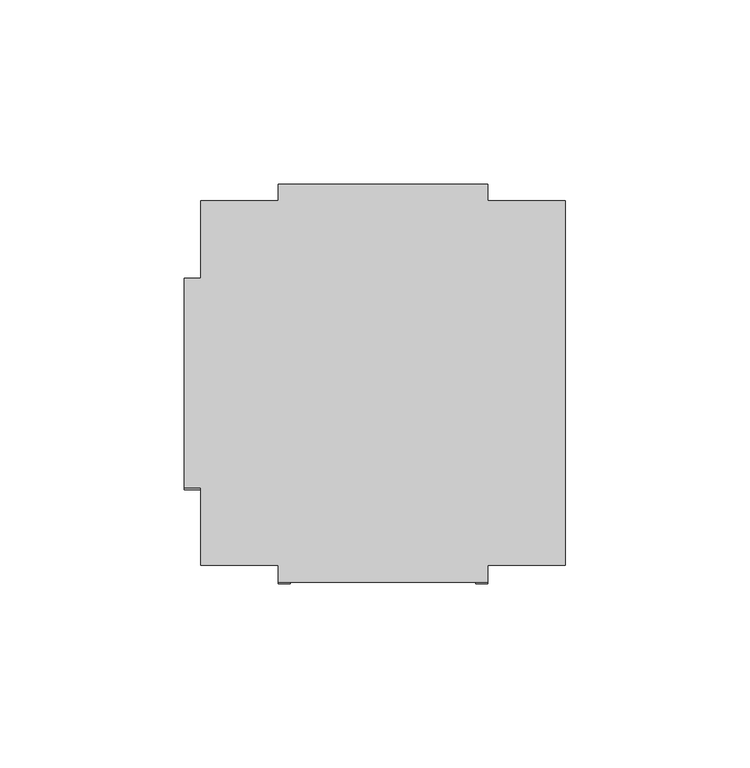
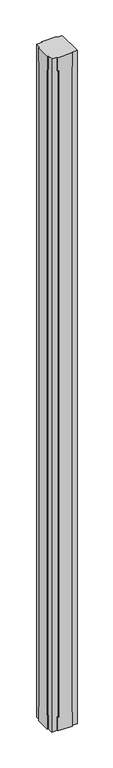
"""IFC4 building model written with IfcOpenShell, lengths in millimetres: furniture geometry."""

from ifc_helpers import new_model, si_unit, origin, place, context, project, spatial, faceted_brep, source, transform, mapped, element, save


def furniture_170179e1(model_context):
    return source(origin(), model_context, "Body", "Brep", [
        faceted_brep([(0.0, -736.854, 55.118), (0.0, -733.552, 55.118), (0.0, -733.552, 0.0), (0.0, -790.448, 0.0), (0.0, -790.448, 55.118), (0.0, -787.146, 55.118), (0.0, -787.146, 2688.082), (0.0, -790.448, 2688.082), (0.0, -790.448, 2743.2), (0.0, -733.552, 2743.2), (0.0, -733.552, 2688.082), (0.0, -736.854, 2688.082), (4.4958, -736.854, 2688.082), (4.4958, -736.854, 55.118), (4.4958, -733.552, 2688.082), (4.4958, -733.552, 2743.2), (4.4958, -790.448, 2743.2), (4.4958, -811.4792, 2743.2), (25.527, -811.4792, 2743.2), (25.527, -815.975, 2743.2), (82.423, -815.975, 2743.2), (82.423, -811.4792, 2743.2), (103.4542, -811.4792, 2743.2), (103.4542, -712.5208, 2743.2), (82.423, -712.5208, 2743.2), (82.423, -708.025, 2743.2), (25.527, -708.025, 2743.2), (25.527, -712.5208, 2743.2), (4.4958, -712.5208, 2743.2), (4.4958, -790.448, 2688.082), (4.4958, -787.146, 2688.082), (4.4958, -787.146, 55.118), (4.4958, -790.448, 55.118), (4.4958, -790.448, 0.0), (4.4958, -733.552, 0.0), (4.4958, -712.5208, 0.0), (25.527, -712.5208, 0.0), (25.527, -708.025, 0.0), (82.423, -708.025, 0.0), (82.423, -712.5208, 0.0), (103.4542, -712.5208, 0.0), (103.4542, -811.4792, 0.0), (82.423, -811.4792, 0.0), (82.423, -815.975, 0.0), (25.527, -815.975, 0.0), (25.527, -811.4792, 0.0), (4.4958, -811.4792, 0.0), (4.4958, -733.552, 55.118), (82.423, -712.5208, 55.118), (79.121, -712.5208, 55.118), (79.121, -712.5208, 2688.082), (82.423, -712.5208, 2688.082), (25.527, -712.5208, 2688.082), (28.829, -712.5208, 2688.082), (28.829, -712.5208, 55.118), (25.527, -712.5208, 55.118), (25.527, -811.4792, 55.118), (28.829, -811.4792, 55.118), (28.829, -811.4792, 2688.082), (25.527, -811.4792, 2688.082), (82.423, -811.4792, 2688.082), (79.121, -811.4792, 2688.082), (79.121, -811.4792, 55.118), (82.423, -811.4792, 55.118), (79.121, -708.025, 55.118), (82.423, -708.025, 55.118), (25.527, -708.025, 55.118), (28.829, -708.025, 55.118), (28.829, -708.025, 2688.082), (25.527, -708.025, 2688.082), (82.423, -708.025, 2688.082), (79.121, -708.025, 2688.082), (79.121, -815.975, 55.118), (79.121, -815.975, 2688.082), (82.423, -815.975, 2688.082), (25.527, -815.975, 2688.082), (28.829, -815.975, 2688.082), (28.829, -815.975, 55.118), (25.527, -815.975, 55.118), (82.423, -815.975, 55.118)], [[[0, 1, 2, 3, 4, 5, 6, 7, 8, 9, 10, 11]], [[0, 11, 12, 13]], [[11, 10, 14, 12]], [[10, 9, 15, 14]], [[9, 8, 16, 17, 18, 19, 20, 21, 22, 23, 24, 25, 26, 27, 28, 15]], [[8, 7, 29, 16]], [[7, 6, 30, 29]], [[6, 5, 31, 30]], [[5, 4, 32, 31]], [[4, 3, 33, 32]], [[3, 2, 34, 35, 36, 37, 38, 39, 40, 41, 42, 43, 44, 45, 46, 33]], [[2, 1, 47, 34]], [[1, 0, 13, 47]], [[23, 40, 39, 48, 49, 50, 51, 24]], [[35, 28, 27, 52, 53, 54, 55, 36]], [[28, 35, 34, 47, 13, 12, 14, 15]], [[46, 17, 16, 29, 30, 31, 32, 33]], [[17, 46, 45, 56, 57, 58, 59, 18]], [[41, 22, 21, 60, 61, 62, 63, 42]], [[23, 22, 41, 40]], [[64, 65, 38, 37, 66, 67, 68, 69, 26, 25, 70, 71]], [[72, 73, 74, 20, 19, 75, 76, 77, 78, 44, 43, 79]], [[64, 71, 50, 49]], [[73, 72, 62, 61]], [[71, 70, 51, 50]], [[74, 73, 61, 60]], [[70, 25, 24, 51]], [[20, 74, 60, 21]], [[26, 69, 52, 27]], [[75, 19, 18, 59]], [[69, 68, 53, 52]], [[76, 75, 59, 58]], [[68, 67, 54, 53]], [[77, 76, 58, 57]], [[67, 66, 55, 54]], [[78, 77, 57, 56]], [[66, 37, 36, 55]], [[44, 78, 56, 45]], [[38, 65, 48, 39]], [[79, 43, 42, 63]], [[65, 64, 49, 48]], [[72, 79, 63, 62]]]),
    ])


if __name__ == "__main__":
    model = new_model("IFC4")
    model_context = context("Model", 3, world=origin())
    ifc_project = project(units=[si_unit("LENGTHUNIT", "METRE", prefix="MILLI")], contexts=[model_context])
    site = spatial("IfcSite", under=ifc_project)
    building = spatial("IfcBuilding", under=site)
    placement = place(None, origin())
    furniture_shape = furniture_170179e1(model_context)
    element("IfcFurniture", 1, at=placement, inside=building, context=model_context, shape_type="MappedRepresentation", body=[
        mapped(furniture_shape, transform((0.0, 0.0, 0.0), x_axis=(1.0, 0.0, 0.0), y_axis=(0.0, 1.0, 0.0), z_axis=(0.0, 0.0, 1.0))),
    ])
    save(model, "model.ifc")
